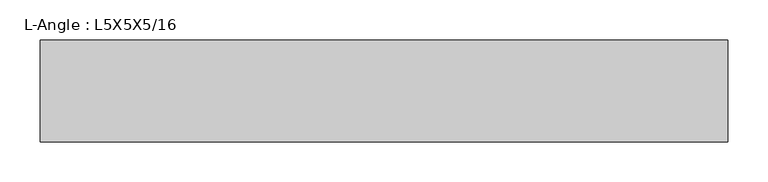
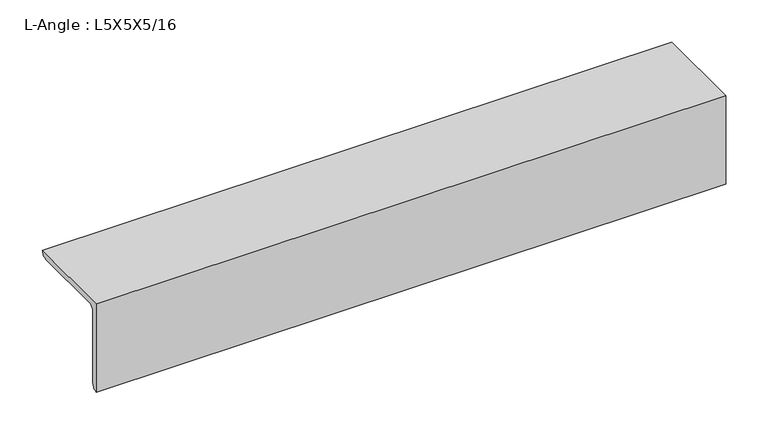
"""IFC4 building model written with IfcOpenShell, lengths in millimetres: beam geometry, L-Angle : L5X5X5/16."""

from ifc_helpers import new_model, si_unit, point, frame, frame_2d, origin, place, context, project, spatial, polyline, circle_curve, trimmed, segment, composite_curve, outline, extrude, source, transform, mapped, element, save


def l_angle_l5x5x5_16_b9d8909a(model_context):
    return source(origin(), model_context, "Body", "SweptSolid", [
        extrude(outline(composite_curve([segment(polyline([(-34.3296875, 34.3296875), (92.6703125, 34.3296875)]), True, "CONTINUOUS"), segment(trimmed(circle_curve(frame_2d((84.7328125, 34.3296875)), 7.9375), [point((92.6703125, 34.3296875))], [point((84.7328125, 26.3921875))], False, "CARTESIAN"), True, "CONTINUOUS"), segment(polyline([(84.7328125, 26.3921875), (-18.4546875, 26.3921875)]), True, "CONTINUOUS"), segment(trimmed(circle_curve(frame_2d((-18.4546875, 18.4546875)), 7.9375), [point((-18.4546875, 26.3921875))], [point((-26.3921875, 18.4546875))], True, "CARTESIAN"), True, "CONTINUOUS"), segment(polyline([(-26.3921875, 18.4546875), (-26.3921875, -84.7328125)]), True, "CONTINUOUS"), segment(trimmed(circle_curve(frame_2d((-34.3296875, -84.7328125)), 7.9375), [point((-26.3921875, -84.7328125))], [point((-34.3296875, -92.6703125))], False, "CARTESIAN"), True, "CONTINUOUS"), segment(polyline([(-34.3296875, -92.6703125), (-34.3296875, 34.3296875)]), True, "CONTINUOUS")], self_intersect=False)), frame((-428.0296875, 0.0, 0.0), z_axis=(1.0, 0.0, 0.0), x_axis=(0.0, 1.0, 0.0)), (0.0, 0.0, 1.0), 856.059375),
    ])


if __name__ == "__main__":
    model = new_model("IFC4")
    model_context = context("Model", 3, world=origin())
    ifc_project = project(units=[si_unit("LENGTHUNIT", "METRE", prefix="MILLI")], contexts=[model_context])
    site = spatial("IfcSite", under=ifc_project)
    building = spatial("IfcBuilding", under=site)
    placement = place(None, origin())
    l_angle_l5x5x5_16_shape = l_angle_l5x5x5_16_b9d8909a(model_context)
    element("IfcBeam", 1, ObjectType="L-Angle : L5X5X5/16", at=placement, inside=building, context=model_context, shape_type="MappedRepresentation", body=[
        mapped(l_angle_l5x5x5_16_shape, transform((0.0, 0.0, 0.0), x_axis=(1.0, 0.0, 0.0), y_axis=(0.0, 1.0, 0.0), z_axis=(0.0, 0.0, 1.0))),
    ])
    save(model, "model.ifc")
